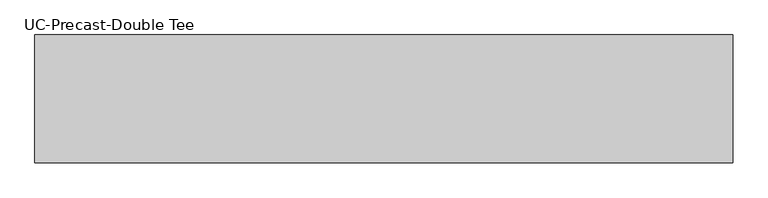
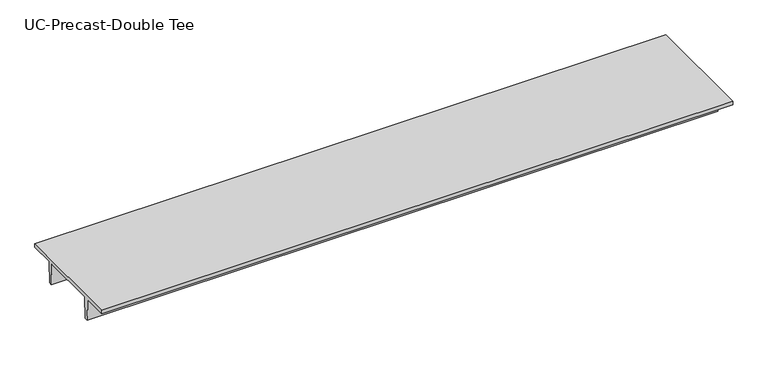
"""IFC4 building model written with IfcOpenShell, lengths in millimetres: beam geometry, UC-Precast-Double Tee."""

from ifc_helpers import new_model, si_unit, frame, origin, place, context, project, spatial, polyline, outline, extrude, source, transform, mapped, element, save


def uc_precast_double_tee_0a496c66(model_context):
    return source(origin(), model_context, "Body", "SweptSolid", [
        extrude(outline(polyline([(1714.5, 381.0), (1714.5, 279.4), (990.6, 279.4), (965.2, -381.0), (863.6, -381.0), (838.2, 279.4), (-838.2, 279.4), (-863.6, -381.0), (-965.2, -381.0), (-990.6, 279.4), (-1714.5, 279.4), (-1714.5, 381.0), (1714.5, 381.0)])), frame((-9474.1999994, 0.0, 0.0), z_axis=(1.0, 0.0, 0.0), x_axis=(0.0, 1.0, 0.0)), (0.0, 0.0, 1.0), 18694.3999994),
    ])


if __name__ == "__main__":
    model = new_model("IFC4")
    model_context = context("Model", 3, world=origin())
    ifc_project = project(units=[si_unit("LENGTHUNIT", "METRE", prefix="MILLI")], contexts=[model_context])
    site = spatial("IfcSite", under=ifc_project)
    building = spatial("IfcBuilding", under=site)
    placement = place(None, origin())
    uc_precast_double_tee_shape = uc_precast_double_tee_0a496c66(model_context)
    element("IfcBeam", 1, ObjectType="UC-Precast-Double Tee", at=placement, inside=building, context=model_context, shape_type="MappedRepresentation", body=[
        mapped(uc_precast_double_tee_shape, transform((0.0, 0.0, 0.0), x_axis=(1.0, 0.0, 0.0), y_axis=(0.0, 1.0, 0.0), z_axis=(0.0, 0.0, 1.0))),
    ])
    save(model, "model.ifc")
